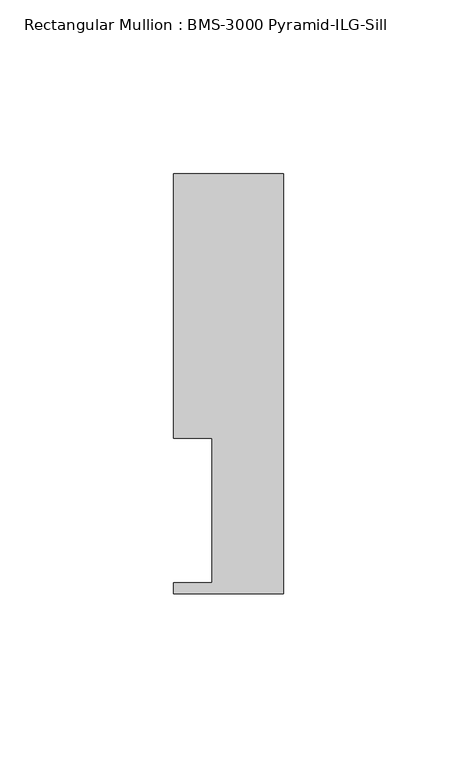
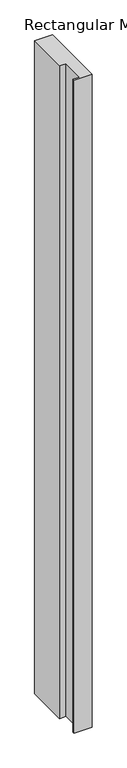
"""IFC4 building model written with IfcOpenShell, lengths in millimetres: member geometry, Rectangular Mullion : BMS-3000 Pyramid-ILG-Sill."""

from ifc_helpers import new_model, si_unit, frame, origin, place, context, project, spatial, polyline, outline, extrude, source, transform, mapped, element, save


def rectangular_mullion_bms_3000_pyramid_ilg_sill_53b85821(model_context):
    return source(origin(), model_context, "Body", "SweptSolid", [
        extrude(outline(polyline([(0.0, 9.3678375), (-31.75, 9.3678375), (-31.75, 12.5428375), (-20.6248, 12.5428375), (-20.6248, 54.1734375), (-31.75, 54.1734375), (-31.75, 130.3734375), (0.0, 130.3734375), (0.0, 9.3678375)])), frame((0.0, 0.0, -1219.2), z_axis=(0.0, 0.0, 1.0), x_axis=(1.0, 0.0, 0.0)), (0.0, 0.0, 1.0), 1219.2),
    ])


if __name__ == "__main__":
    model = new_model("IFC4")
    model_context = context("Model", 3, world=origin())
    ifc_project = project(units=[si_unit("LENGTHUNIT", "METRE", prefix="MILLI")], contexts=[model_context])
    site = spatial("IfcSite", under=ifc_project)
    building = spatial("IfcBuilding", under=site)
    placement = place(None, origin())
    rectangular_mullion_bms_3000_pyramid_ilg_sill_shape = rectangular_mullion_bms_3000_pyramid_ilg_sill_53b85821(model_context)
    element("IfcMember", 1, ObjectType="Rectangular Mullion : BMS-3000 Pyramid-ILG-Sill", at=placement, inside=building, context=model_context, shape_type="MappedRepresentation", body=[
        mapped(rectangular_mullion_bms_3000_pyramid_ilg_sill_shape, transform((0.0, 0.0, 0.0), x_axis=(1.0, 0.0, 0.0), y_axis=(0.0, 1.0, 0.0), z_axis=(0.0, 0.0, 1.0))),
    ])
    save(model, "model.ifc")
